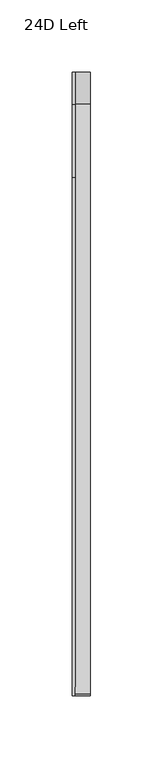
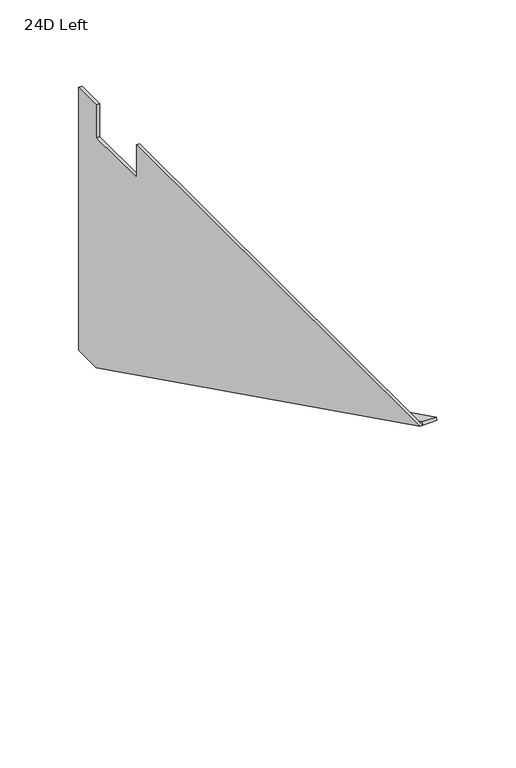
"""IFC4 building model written with IfcOpenShell, lengths in millimetres: furniture geometry, 24D Left."""

from ifc_helpers import new_model, si_unit, frame, origin, place, context, project, spatial, polyline, outline, extrude, source, transform, mapped, element, save


def furniture_24d_left_04f563a4(model_context):
    return source(origin(), model_context, "Body", "SweptSolid", [
        extrude(outline(polyline([(203.2, 505.5235), (203.2, 503.2375), (180.975, 503.2375), (-228.8807823, 706.4375), (-227.8653655, 708.4856027), (181.5105764, 505.5235), (203.2, 505.5235)])), frame((2.286, 0.0, 0.0), z_axis=(1.0, 0.0, 0.0), x_axis=(0.0, 1.0, 0.0)), (0.0, 0.0, 1.0), 10.414),
        extrude(outline(polyline([(203.2, 706.4375), (203.2, 503.2375), (180.975, 503.2375), (-228.8807823, 706.4375), (130.175, 706.4375), (130.175, 681.0375), (180.975, 681.0375), (180.975, 706.4375), (203.2, 706.4375)])), frame((0.0, 0.0, 0.0), z_axis=(1.0, 0.0, 0.0), x_axis=(0.0, 1.0, 0.0)), (0.0, 0.0, 1.0), 2.286),
    ])


if __name__ == "__main__":
    model = new_model("IFC4")
    model_context = context("Model", 3, world=origin())
    ifc_project = project(units=[si_unit("LENGTHUNIT", "METRE", prefix="MILLI")], contexts=[model_context])
    site = spatial("IfcSite", under=ifc_project)
    building = spatial("IfcBuilding", under=site)
    placement = place(None, origin())
    furniture_24d_left_shape = furniture_24d_left_04f563a4(model_context)
    element("IfcFurniture", 1, ObjectType="24D Left", at=placement, inside=building, context=model_context, shape_type="MappedRepresentation", body=[
        mapped(furniture_24d_left_shape, transform((0.0, 0.0, 0.0), x_axis=(1.0, 0.0, 0.0), y_axis=(0.0, 1.0, 0.0), z_axis=(0.0, 0.0, 1.0))),
    ])
    save(model, "model.ifc")
